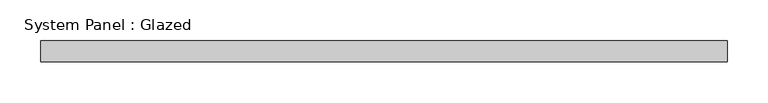
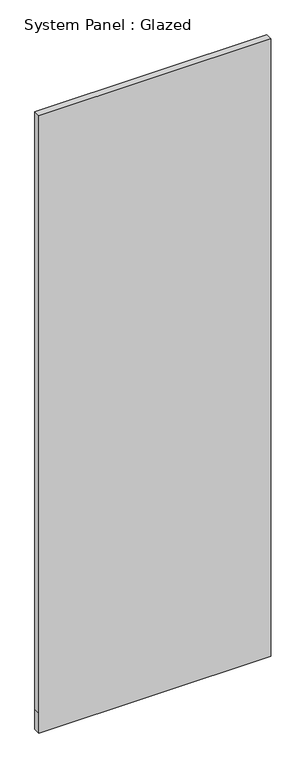
"""IFC4 building model written with IfcOpenShell, lengths in millimetres: plate geometry, System Panel : Glazed."""

from ifc_helpers import new_model, si_unit, frame, origin, place, context, project, spatial, polyline, outline, extrude, source, transform, mapped, element, save


def system_panel_glazed_f43ef5a2(model_context):
    return source(origin(), model_context, "Body", "SweptSolid", [
        extrude(outline(polyline([(0.0, -419.1), (0.0, 419.1), (76.2, 419.1), (2362.2, 419.1), (2362.2, -419.1), (76.2, -419.1), (0.0, -419.1)])), frame((0.0, 25.4, 0.0), z_axis=(0.0, 1.0, 0.0), x_axis=(0.0, 0.0, 1.0)), (0.0, 0.0, 1.0), 25.4),
    ])


if __name__ == "__main__":
    model = new_model("IFC4")
    model_context = context("Model", 3, world=origin())
    ifc_project = project(units=[si_unit("LENGTHUNIT", "METRE", prefix="MILLI")], contexts=[model_context])
    site = spatial("IfcSite", under=ifc_project)
    building = spatial("IfcBuilding", under=site)
    placement = place(None, origin())
    system_panel_glazed_shape = system_panel_glazed_f43ef5a2(model_context)
    element("IfcPlate", 1, ObjectType="System Panel : Glazed", at=placement, inside=building, context=model_context, shape_type="MappedRepresentation", body=[
        mapped(system_panel_glazed_shape, transform((0.0, 0.0, 0.0), x_axis=(1.0, 0.0, 0.0), y_axis=(0.0, 1.0, 0.0), z_axis=(0.0, 0.0, 1.0))),
    ])
    save(model, "model.ifc")
